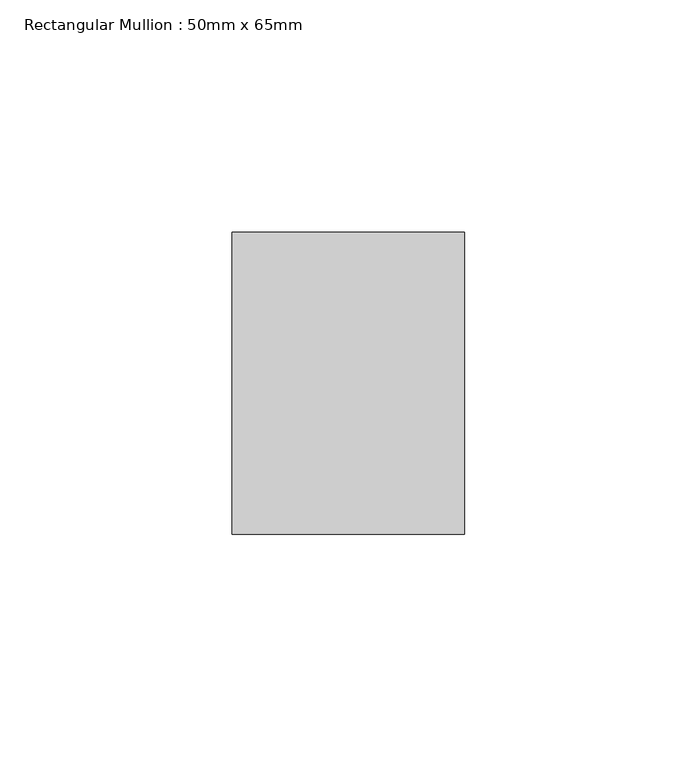
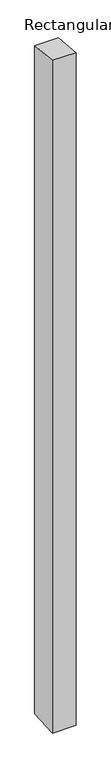
"""IFC4 building model written with IfcOpenShell, lengths in millimetres: member geometry, Rectangular Mullion : 50mm x 65mm."""

from ifc_helpers import new_model, si_unit, origin, place, context, project, spatial, faceted_brep, source, transform, mapped, element, save


def rectangular_mullion_50mm_x_65mm_7043c84f(model_context):
    return source(origin(), model_context, "Body", "Brep", [
        faceted_brep([(-25.0, 32.5, -3.1469363), (25.0, 32.5, -3.1469369), (25.0, 32.5, -1497.8334379), (-25.0, 32.5, -1497.8334383), (-25.0, -32.5, 3.1469369), (-25.0, -32.5, -1502.165394), (25.0, -32.5, 3.1469363), (25.0, -32.5, -1502.1653936)], [[[0, 1, 2, 3]], [[4, 0, 3, 5]], [[6, 4, 5, 7]], [[1, 6, 7, 2]], [[1, 0, 4, 6]], [[2, 7, 5, 3]]]),
    ])


if __name__ == "__main__":
    model = new_model("IFC4")
    model_context = context("Model", 3, world=origin())
    ifc_project = project(units=[si_unit("LENGTHUNIT", "METRE", prefix="MILLI")], contexts=[model_context])
    site = spatial("IfcSite", under=ifc_project)
    building = spatial("IfcBuilding", under=site)
    placement = place(None, origin())
    rectangular_mullion_50mm_x_65mm_shape = rectangular_mullion_50mm_x_65mm_7043c84f(model_context)
    element("IfcMember", 1, ObjectType="Rectangular Mullion : 50mm x 65mm", at=placement, inside=building, context=model_context, shape_type="MappedRepresentation", body=[
        mapped(rectangular_mullion_50mm_x_65mm_shape, transform((0.0, 0.0, 0.0), x_axis=(1.0, 0.0, 0.0), y_axis=(0.0, 1.0, 0.0), z_axis=(0.0, 0.0, 1.0))),
    ])
    save(model, "model.ifc")
